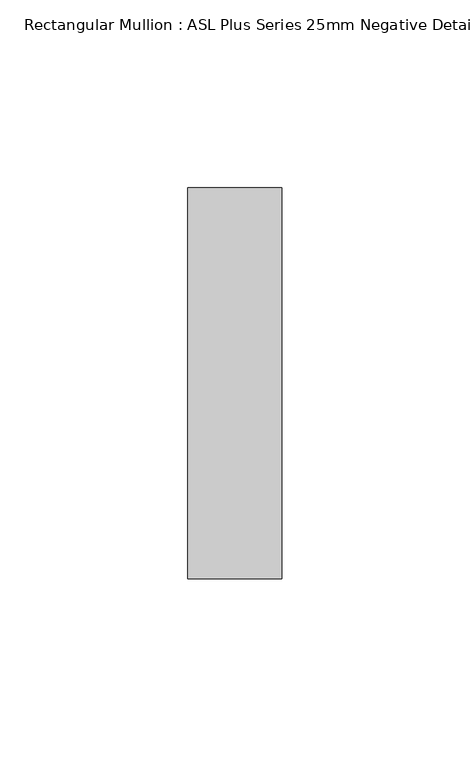
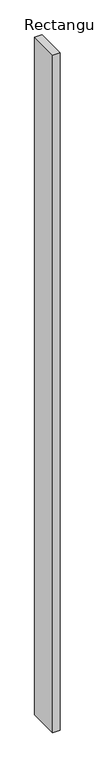
"""IFC4 building model written with IfcOpenShell, lengths in millimetres: member geometry, Rectangular Mullion : ASL Plus Series 25mm Negative Detail Floor Track-90mm stud."""

from ifc_helpers import new_model, si_unit, frame, origin, place, context, project, spatial, polyline, outline, extrude, source, transform, mapped, element, save


def rectangular_mullion_asl_plus_series_25mm_negative_detail_348c1dd8(model_context):
    return source(origin(), model_context, "Body", "SweptSolid", [
        extrude(outline(polyline([(0.0, -52.0), (-25.0, -52.0), (-25.0, 52.0), (0.0, 52.0), (0.0, -52.0)])), frame((0.0, 0.0, -2400.0), z_axis=(0.0, 0.0, 1.0), x_axis=(1.0, 0.0, 0.0)), (0.0, 0.0, 1.0), 2400.0),
    ])


if __name__ == "__main__":
    model = new_model("IFC4")
    model_context = context("Model", 3, world=origin())
    ifc_project = project(units=[si_unit("LENGTHUNIT", "METRE", prefix="MILLI")], contexts=[model_context])
    site = spatial("IfcSite", under=ifc_project)
    building = spatial("IfcBuilding", under=site)
    placement = place(None, origin())
    rectangular_mullion_asl_plus_series_25mm_negative_detail_shape = rectangular_mullion_asl_plus_series_25mm_negative_detail_348c1dd8(model_context)
    element("IfcMember", 1, ObjectType="Rectangular Mullion : ASL Plus Series 25mm Negative Detail Floor Track-90mm stud", at=placement, inside=building, context=model_context, shape_type="MappedRepresentation", body=[
        mapped(rectangular_mullion_asl_plus_series_25mm_negative_detail_shape, transform((0.0, 0.0, 0.0), x_axis=(1.0, 0.0, 0.0), y_axis=(0.0, 1.0, 0.0), z_axis=(0.0, 0.0, 1.0))),
    ])
    save(model, "model.ifc")
